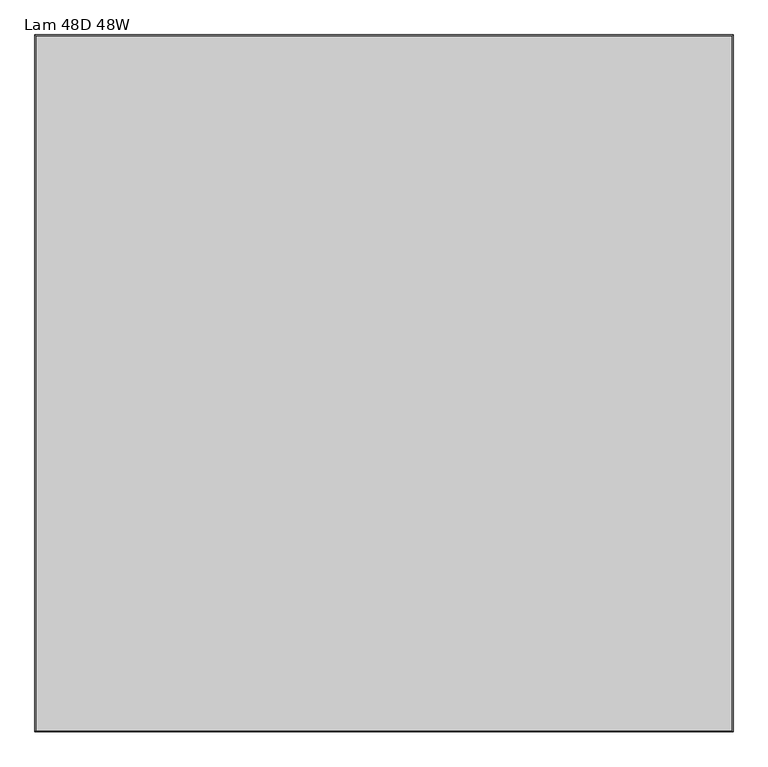
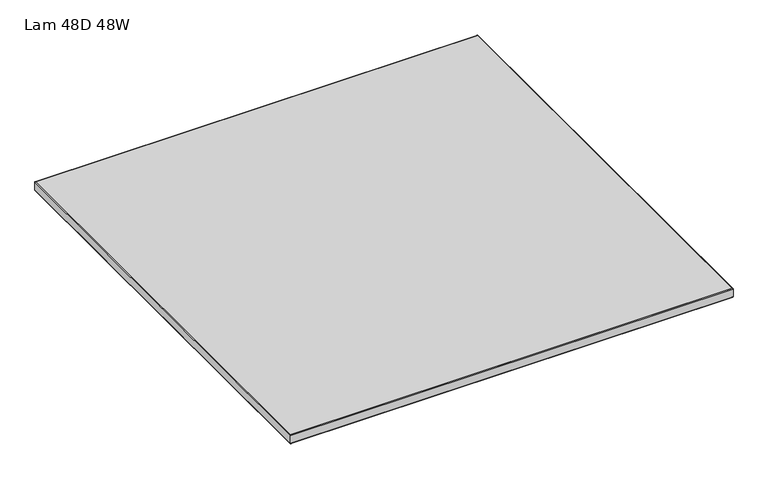
"""IFC4 building model written with IfcOpenShell, lengths in millimetres: furniture geometry, Lam 48D 48W."""

import ifcopenshell
import ifcopenshell.guid

model = None  # the IFC model being written
_history = None  # IfcOwnerHistory: only IFC2X3 demands one
_inside = {}  # id of a spatial element -> (the spatial element, [elements in it])
_under = {}  # id of a project, library or spatial element -> (it, [spatial elements below it])
_declared = {}  # id of a project -> (the project, [libraries it declares])
_typed = {}  # id of a type object -> (the type object, [elements of that type])
_made_of = {}  # id of a material, layer set ... -> (it, [elements and type objects made of it])


def new_model(schema):
    """Start an empty IFC model of exactly this schema.

    Asked for "IFC4X3", IfcOpenShell would pick the latest addendum, in which some entities
    have other attributes; the version numbers below select the first issue.
    IFC2X3 requires an IfcOwnerHistory on every rooted entity: one is made here for all.
    """
    global model, _history
    if schema == "IFC4X3":
        model = ifcopenshell.file(schema_version=(4, 3, 0, 0))
    else:
        model = ifcopenshell.file(schema=schema)
    _inside.clear()
    _under.clear()
    _declared.clear()
    _typed.clear()
    _made_of.clear()
    _history = None
    if model.schema == "IFC2X3":
        org = make("IfcOrganization", Name="unknown")
        user = make(
            "IfcPersonAndOrganization",
            ThePerson=make("IfcPerson", FamilyName="unknown"),
            TheOrganization=org,
        )
        app = make(
            "IfcApplication",
            ApplicationDeveloper=org,
            Version="unknown",
            ApplicationFullName="unknown",
            ApplicationIdentifier="unknown",
        )
        _history = make(
            "IfcOwnerHistory",
            OwningUser=user,
            OwningApplication=app,
            ChangeAction="ADDED",
            CreationDate=0,
        )
    return model


def make(cls, **values):
    """One entity of the class cls with the attributes given. An attribute that is None is left unset."""
    return model.create_entity(
        cls, **{name: value for name, value in values.items() if value is not None}
    )


def rooted(cls, **values):
    """An entity with a GlobalId (a new one), such as an element, a storey or a relation."""
    return make(cls, GlobalId=ifcopenshell.guid.new(), OwnerHistory=_history, **values)


def si_unit(unit_type, name, prefix=None):
    """IfcSIUnit, for example si_unit("LENGTHUNIT", "METRE", prefix="MILLI")."""
    return make("IfcSIUnit", UnitType=unit_type, Prefix=prefix, Name=name)


def assignment(units):
    """IfcUnitAssignment: the units of a project."""
    return None if units is None else make("IfcUnitAssignment", Units=units)


def point(xyz):
    """IfcCartesianPoint."""
    return None if xyz is None else make("IfcCartesianPoint", Coordinates=xyz)


def direction(xyz):
    """IfcDirection."""
    return None if xyz is None else make("IfcDirection", DirectionRatios=xyz)


def frame(location, z_axis=None, x_axis=None):
    """IfcAxis2Placement3D, a coordinate frame: its origin and axes. An axis left out is left unset."""
    return make(
        "IfcAxis2Placement3D",
        Location=point(location),
        Axis=direction(z_axis),
        RefDirection=direction(x_axis),
    )


def origin():
    """The frame at (0, 0, 0) with its axes left unset."""
    return frame((0.0, 0.0, 0.0))


def place(relative_to, where):
    """IfcLocalPlacement: puts the frame where relative to a parent placement (None: the world)."""
    return make(
        "IfcLocalPlacement", PlacementRelTo=relative_to, RelativePlacement=where
    )


def context(
    kind, dimensions, precision=None, world=None, true_north=None, identifier=None
):
    """IfcGeometricRepresentationContext, for example the 3D "Model" context."""
    return make(
        "IfcGeometricRepresentationContext",
        ContextIdentifier=identifier,
        ContextType=kind,
        CoordinateSpaceDimension=dimensions,
        Precision=precision,
        WorldCoordinateSystem=world,
        TrueNorth=true_north,
    )


def project(units=None, contexts=None):
    """IfcProject with its units and contexts."""
    return rooted(
        "IfcProject",
        Name="project",
        RepresentationContexts=contexts,
        UnitsInContext=assignment(units),
    )


def spatial(cls, under=None, at=None, **own):
    """A site, building, storey or space (cls), placed at a placement, below another one or the project."""
    s = rooted(cls, ObjectPlacement=at, **own)
    if under is not None:
        _under.setdefault(under.id(), (under, []))[1].append(s)
    return s


def polyline(points):
    """IfcPolyline through the points."""
    return make("IfcPolyline", Points=[point(p) for p in points])


def ellipse_curve(where, semi_axis1, semi_axis2):
    """IfcEllipse in the frame where."""
    return make(
        "IfcEllipse", Position=where, SemiAxis1=semi_axis1, SemiAxis2=semi_axis2
    )


def outline(outer, holes=None, kind="AREA"):
    """IfcArbitraryClosedProfileDef: a profile drawn as a closed curve; with holes, ...WithVoids."""
    if holes is None:
        return make("IfcArbitraryClosedProfileDef", ProfileType=kind, OuterCurve=outer)
    return make(
        "IfcArbitraryProfileDefWithVoids",
        ProfileType=kind,
        OuterCurve=outer,
        InnerCurves=holes,
    )


def extrude(swept, where, along, depth):
    """IfcExtrudedAreaSolid: the profile swept, set in the frame where, extruded along a direction by depth."""
    return make(
        "IfcExtrudedAreaSolid",
        SweptArea=swept,
        Position=where,
        ExtrudedDirection=direction(along),
        Depth=depth,
    )


def shape(context_of_items, identifier, shape_type, items):
    """IfcShapeRepresentation: the items that make up one representation, for example the "Body"."""
    return make(
        "IfcShapeRepresentation",
        ContextOfItems=context_of_items,
        RepresentationIdentifier=identifier,
        RepresentationType=shape_type,
        Items=items,
    )


def source(mapping_origin, context_of_items, identifier, shape_type, items):
    """IfcRepresentationMap: a shape defined once, which mapped items show again and again."""
    return make(
        "IfcRepresentationMap",
        MappingOrigin=mapping_origin,
        MappedRepresentation=shape(context_of_items, identifier, shape_type, items),
    )


def transform(
    local_origin,
    x_axis=None,
    y_axis=None,
    z_axis=None,
    scale=None,
    scale2=None,
    scale3=None,
    uniform=True,
):
    """IfcCartesianTransformationOperator3D, or its non-uniform kind. x_axis, y_axis, z_axis: its Axis1, 2, 3."""
    if uniform:
        return make(
            "IfcCartesianTransformationOperator3D",
            Axis1=direction(x_axis),
            Axis2=direction(y_axis),
            LocalOrigin=point(local_origin),
            Scale=scale,
            Axis3=direction(z_axis),
        )
    return make(
        "IfcCartesianTransformationOperator3DnonUniform",
        Axis1=direction(x_axis),
        Axis2=direction(y_axis),
        LocalOrigin=point(local_origin),
        Scale=scale,
        Axis3=direction(z_axis),
        Scale2=scale2,
        Scale3=scale3,
    )


def mapped(mapping_source, mapping_target):
    """IfcMappedItem: shows the shape of a source again, moved by a transform."""
    return make(
        "IfcMappedItem", MappingSource=mapping_source, MappingTarget=mapping_target
    )


def made_of(thing, what):
    """Note that an element or type object is made of a material, layer set ...; save() writes the relation."""
    if what is not None:
        _made_of.setdefault(what.id(), (what, []))[1].append(thing)
    return thing


def element(
    cls,
    number,
    at=None,
    inside=None,
    cuts=None,
    type_object=None,
    material=None,
    context=None,
    identifier="Body",
    shape_type=None,
    held_by="IfcProductDefinitionShape",
    body=None,
    shapes=None,
    **own,
):
    """One element of the class cls, such as IfcWall. Its Tag is "e" and its number.

    at: its placement. inside: the storey or other place that contains it. cuts: it is an
    opening in that element (IfcRelVoidsElement). A single representation is given by context,
    identifier, shape_type and body (its items); several are given by shapes. held_by: the class
    of the entity that holds the representations. save() writes the other relations.
    """
    e = rooted(cls, Tag="e%d" % number, ObjectPlacement=at, **own)
    if body is not None:
        shapes = [shape(context, identifier, shape_type, body)]
    if shapes is not None:
        e.Representation = make(held_by, Representations=shapes)
    if inside is not None:
        _inside.setdefault(inside.id(), (inside, []))[1].append(e)
    if cuts is not None:
        rooted(
            "IfcRelVoidsElement", RelatingBuildingElement=cuts, RelatedOpeningElement=e
        )
    if type_object is not None:
        _typed.setdefault(type_object.id(), (type_object, []))[1].append(e)
    return made_of(e, material)


def aggregate(whole, parts):
    """IfcRelAggregates: a whole, such as a stair, and the parts it consists of."""
    return rooted("IfcRelAggregates", RelatingObject=whole, RelatedObjects=parts)


def save(model, path):
    """Write the relations noted so far, then the file.

    IfcRelAggregates (storeys below a building ...), IfcRelContainedInSpatialStructure (elements
    in a storey), IfcRelDefinesByType, IfcRelAssociatesMaterial and IfcRelDeclares: one each for
    every whole, place, type object, material and project.
    """
    for whole, parts in _under.values():
        aggregate(whole, parts)
    for where, things in _inside.values():
        rooted(
            "IfcRelContainedInSpatialStructure",
            RelatedElements=things,
            RelatingStructure=where,
        )
    for kind, things in _typed.values():
        rooted("IfcRelDefinesByType", RelatedObjects=things, RelatingType=kind)
    for what, things in _made_of.values():
        rooted("IfcRelAssociatesMaterial", RelatedObjects=things, RelatingMaterial=what)
    for by, libraries in _declared.values():
        rooted("IfcRelDeclares", RelatingContext=by, RelatedDefinitions=libraries)
    model.write(path)


def plane_surface(at):
    """IfcPlane: the flat surface through the origin of the frame at, square to its z axis."""
    return make("IfcPlane", Position=at)


def cylinder_surface(at, radius):
    """IfcCylindricalSurface: all points at the distance radius from the z axis of the frame at."""
    return make("IfcCylindricalSurface", Position=at, Radius=radius)


def advanced_brep(points, edges, surfaces, faces):
    """IfcAdvancedBrep: a solid bounded by faces that lie on surfaces and meet in shared edges.

    An edge is (start, end): straight between two places in points (the first is 0);
    or (start, end, curve); or (start, end, curve, False) where it runs against its curve.
    A face is (place in surfaces, loops), or (place, loops, False) where it looks against
    its surface's normal. A loop lists edges by number (the first is 1), with a minus sign
    where the edge is run from its end to its start. The first loop is the outer one.
    """
    corners = [point(p) for p in points]
    vertices = [make("IfcVertexPoint", VertexGeometry=c) for c in corners]
    made = []
    for start, end, *more in edges:
        made.append(
            make(
                "IfcEdgeCurve",
                EdgeStart=vertices[start],
                EdgeEnd=vertices[end],
                EdgeGeometry=more[0] if more else make("IfcPolyline", Points=[corners[start], corners[end]]),
                SameSense=more[1] if len(more) > 1 else True,
            )
        )
    hull = []
    for where, loops, *sense in faces:
        bounds = []
        for j, loop in enumerate(loops):
            ring = [make("IfcOrientedEdge", EdgeElement=made[abs(k) - 1], Orientation=k > 0) for k in loop]
            bounds.append(
                make(
                    "IfcFaceOuterBound" if j == 0 else "IfcFaceBound",
                    Bound=make("IfcEdgeLoop", EdgeList=ring),
                    Orientation=True,
                )
            )
        hull.append(make("IfcAdvancedFace", Bounds=bounds, FaceSurface=surfaces[where], SameSense=sense[0] if sense else True))
    return make("IfcAdvancedBrep", Outer=make("IfcClosedShell", CfsFaces=hull))


def lam_48d_48w_63176813(model_context):
    return source(origin(), model_context, "Body", "SolidModel", [
        advanced_brep(
        [(-397.0, 604.8248, 723.9), (-397.0, 604.8248, 698.5), (814.5518, 604.8248, 698.5), (814.5518, 604.8248, 723.9), (814.5518, -604.8248, 698.5), (814.5518, -604.8248, 723.9), (-397.0, -604.8248, 698.5), (-397.0, -604.8248, 723.9), (-398.6002, 606.425, 700.1002), (-398.6002, 606.425, 722.2998), (816.152, 606.425, 722.2998), (816.152, 606.425, 700.1002), (816.152, -606.425, 722.2998), (816.152, -606.425, 700.1002), (-398.6002, -606.425, 722.2998), (-398.6002, -606.425, 700.1002)],
        [
            (0, 1),
            (1, 2),
            (2, 3),
            (3, 0),
            (2, 4),
            (4, 5),
            (5, 3),
            (4, 6),
            (6, 7),
            (7, 5),
            (6, 1),
            (0, 7),
            (8, 9),
            (9, 10),
            (10, 11),
            (11, 8),
            (10, 12),
            (12, 13),
            (13, 11),
            (12, 14),
            (14, 15),
            (15, 13),
            (14, 9),
            (8, 15),
            (9, 0, ellipse_curve(frame((-397.0, 604.8248, 722.2998), z_axis=(0.7071067811865475, 0.7071067811865475, 0.0), x_axis=(-0.7071067811865476, 0.7071067811865474, 0.0)), 2.2630245, 1.6002)),
            (3, 10, ellipse_curve(frame((814.5518, 604.8248, 722.2998), z_axis=(-0.7071067811865475, 0.7071067811865475, 0.0), x_axis=(-0.7071067811865476, -0.7071067811865474, 0.0)), 2.2630245, 1.6002)),
            (1, 8, ellipse_curve(frame((-397.0, 604.8248, 700.1002), z_axis=(0.7071067811865475, 0.7071067811865475, 0.0), x_axis=(-0.7071067811865476, 0.7071067811865474, 0.0)), 2.2630245, 1.6002)),
            (11, 2, ellipse_curve(frame((814.5518, 604.8248, 700.1002), z_axis=(-0.7071067811865475, 0.7071067811865475, 0.0), x_axis=(-0.7071067811865476, -0.7071067811865474, 0.0)), 2.2630245, 1.6002)),
            (5, 12, ellipse_curve(frame((814.5518, -604.8248, 722.2998), z_axis=(0.7071067811865475, 0.7071067811865475, 0.0), x_axis=(-0.7071067811865474, 0.7071067811865476, 0.0)), 2.2630245, 1.6002)),
            (13, 4, ellipse_curve(frame((814.5518, -604.8248, 700.1002), z_axis=(0.7071067811865475, 0.7071067811865475, 0.0), x_axis=(-0.7071067811865474, 0.7071067811865476, 0.0)), 2.2630245, 1.6002)),
            (7, 14, ellipse_curve(frame((-397.0, -604.8248, 722.2998), z_axis=(0.7071067811865475, -0.7071067811865475, 0.0), x_axis=(0.7071067811865476, 0.7071067811865474, 0.0)), 2.2630245, 1.6002)),
            (15, 6, ellipse_curve(frame((-397.0, -604.8248, 700.1002), z_axis=(0.7071067811865475, -0.7071067811865475, 0.0), x_axis=(0.7071067811865476, 0.7071067811865474, 0.0)), 2.2630245, 1.6002)),
        ],
        [
            plane_surface(frame((-397.0, 604.8248, 698.5), z_axis=(0.0, -1.0, 0.0), x_axis=(1.0, 0.0, 0.0))),
            plane_surface(frame((814.5518, 604.8248, 698.5), z_axis=(-1.0, 0.0, 0.0), x_axis=(0.0, -1.0, 0.0))),
            plane_surface(frame((814.5518, -604.8248, 698.5), z_axis=(0.0, 1.0, 0.0), x_axis=(-1.0, 0.0, 0.0))),
            plane_surface(frame((-397.0, -604.8248, 698.5), z_axis=(1.0, 0.0, 0.0), x_axis=(0.0, 1.0, 0.0))),
            plane_surface(frame((-398.6002, 606.425, 722.2998), z_axis=(0.0, 1.0, 0.0), x_axis=(1.0, 0.0, 0.0))),
            plane_surface(frame((816.152, 606.425, 722.2998), z_axis=(1.0, 0.0, 0.0), x_axis=(0.0, -1.0, 0.0))),
            plane_surface(frame((816.152, -606.425, 722.2998), z_axis=(0.0, -1.0, 0.0), x_axis=(-1.0, 0.0, 0.0))),
            plane_surface(frame((-398.6002, -606.425, 722.2998), z_axis=(-1.0, 0.0, 0.0), x_axis=(0.0, 1.0, 0.0))),
            cylinder_surface(frame((-397.0, 604.8248, 722.2998), z_axis=(-1.0, 0.0, 0.0), x_axis=(0.0, -1.0, 0.0)), 1.6002),
            cylinder_surface(frame((-397.0, 604.8248, 700.1002), z_axis=(-1.0, 0.0, 0.0), x_axis=(0.0, -1.0, 0.0)), 1.6002),
            cylinder_surface(frame((814.5518, 604.8248, 722.2998), z_axis=(0.0, 1.0, 0.0), x_axis=(-1.0, 0.0, 0.0)), 1.6002),
            cylinder_surface(frame((814.5518, 604.8248, 700.1002), z_axis=(0.0, 1.0, 0.0), x_axis=(-1.0, 0.0, 0.0)), 1.6002),
            cylinder_surface(frame((814.5518, -604.8248, 722.2998), z_axis=(1.0, 0.0, 0.0), x_axis=(0.0, 1.0, 0.0)), 1.6002),
            cylinder_surface(frame((814.5518, -604.8248, 700.1002), z_axis=(1.0, 0.0, 0.0), x_axis=(0.0, 1.0, 0.0)), 1.6002),
            cylinder_surface(frame((-397.0, -604.8248, 722.2998), z_axis=(0.0, -1.0, 0.0), x_axis=(1.0, 0.0, 0.0)), 1.6002),
            cylinder_surface(frame((-397.0, -604.8248, 700.1002), z_axis=(0.0, -1.0, 0.0), x_axis=(1.0, 0.0, 0.0)), 1.6002),
        ],
        [
            (0, [[1, 2, 3, 4]]),
            (1, [[-3, 5, 6, 7]]),
            (2, [[-6, 8, 9, 10]]),
            (3, [[-9, 11, -1, 12]]),
            (4, [[13, 14, 15, 16]]),
            (5, [[-15, 17, 18, 19]]),
            (6, [[-18, 20, 21, 22]]),
            (7, [[-21, 23, -13, 24]]),
            (8, [[25, -4, 26, -14]]),
            (9, [[27, -16, 28, -2]]),
            (10, [[-26, -7, 29, -17]]),
            (11, [[-28, -19, 30, -5]]),
            (12, [[-29, -10, 31, -20]]),
            (13, [[-30, -22, 32, -8]]),
            (14, [[-31, -12, -25, -23]]),
            (15, [[-32, -24, -27, -11]]),
        ],
    ),
        extrude(outline(polyline([(814.5518, 604.8248), (814.5518, -604.8248), (-397.0, -604.8248), (-397.0, 604.8248), (814.5518, 604.8248)])), frame((0.0, 0.0, 698.5), z_axis=(0.0, 0.0, 1.0), x_axis=(1.0, 0.0, 0.0)), (0.0, 0.0, 1.0), 25.4),
    ])


if __name__ == "__main__":
    model = new_model("IFC4")
    model_context = context("Model", 3, world=origin())
    ifc_project = project(units=[si_unit("LENGTHUNIT", "METRE", prefix="MILLI")], contexts=[model_context])
    site = spatial("IfcSite", under=ifc_project)
    building = spatial("IfcBuilding", under=site)
    placement = place(None, origin())
    lam_48d_48w_shape = lam_48d_48w_63176813(model_context)
    element("IfcFurniture", 1, ObjectType="Lam 48D 48W", at=placement, inside=building, context=model_context, shape_type="MappedRepresentation", body=[
        mapped(lam_48d_48w_shape, transform((0.0, 0.0, 0.0), x_axis=(1.0, 0.0, 0.0), y_axis=(0.0, 1.0, 0.0), z_axis=(0.0, 0.0, 1.0))),
    ])
    save(model, "model.ifc")
